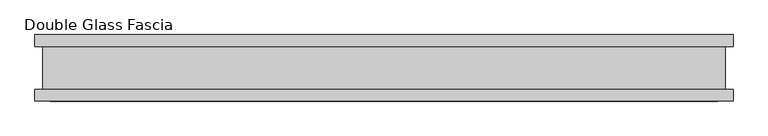
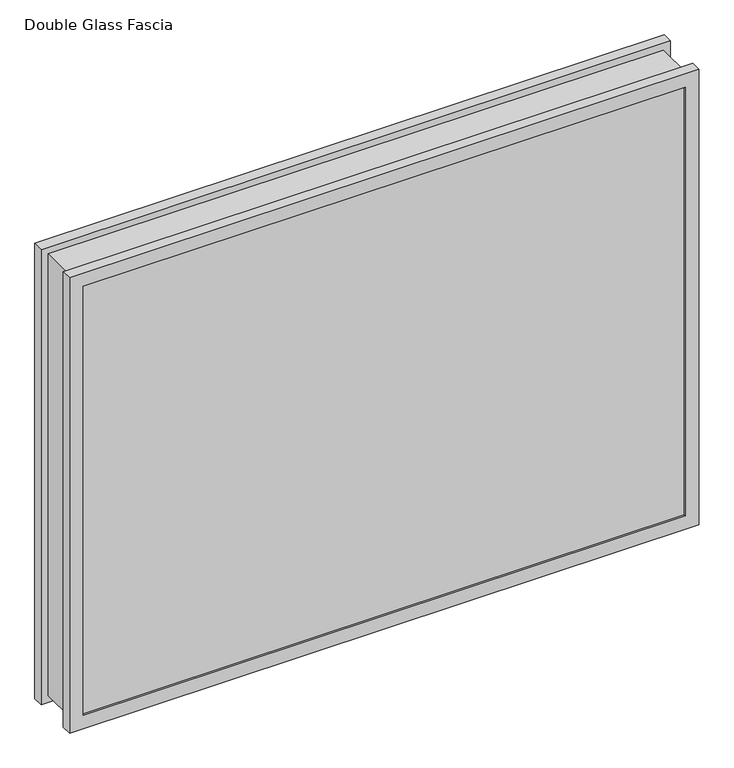
"""IFC4 building model written with IfcOpenShell, lengths in millimetres: proxy geometry, Double Glass Fascia."""

from ifc_helpers import new_model, si_unit, frame, origin, place, context, project, spatial, polyline, outline, extrude, faceted_brep, source, transform, mapped, element, save


def double_glass_fascia_696d1ab8(model_context):
    return source(origin(), model_context, "Body", "SolidModel", [
        faceted_brep([(513.3140848, 32.4352299, 793.750885), (513.3140848, -32.4352299, 793.750885), (513.3140848, -32.4352299, 15.0359151), (513.3140848, 32.4352299, 15.0359151), (-513.3140848, -32.4352299, 15.0359151), (-513.3140848, 32.4352299, 15.0359151), (-513.3140848, -32.4352299, 793.750885), (-513.3140848, 32.4352299, 793.750885), (502.1371999, -38.8962152, 782.5740001), (502.1371999, 38.8962152, 782.5740001), (502.1371999, 38.8962152, 26.2128), (502.1371999, -38.8962152, 26.2128), (518.8718392, -47.1322551, 799.3086393), (518.8718392, -38.8962152, 799.3086393), (518.8718392, -38.8962152, 9.4781608), (518.8718392, -47.1322551, 9.4781608), (501.9593999, -50.0558594, 782.3962001), (501.9593999, -47.1322551, 782.3962001), (501.9593999, -47.1322551, 26.3906), (501.9593999, -50.0558594, 26.3906), (525.1749999, -32.4352299, 805.6118001), (525.1749999, -50.0558594, 805.6118001), (525.1749999, -50.0558594, 3.175), (525.1749999, -32.4352299, 3.175), (-502.1371999, 38.8962152, 26.2128), (-502.1371999, -38.8962152, 26.2128), (-518.8718392, -38.8962152, 9.4781608), (-518.8718392, -47.1322551, 9.4781608), (-501.9593999, -47.1322551, 26.3906), (-501.9593999, -50.0558594, 26.3906), (-525.1749999, -50.0558594, 3.175), (-525.1749999, -32.4352299, 3.175), (-502.1371999, 38.8962152, 782.5740001), (-502.1371999, -38.8962152, 782.5740001), (-518.8718392, -38.8962152, 799.3086393), (-518.8718392, -47.1322551, 799.3086393), (-501.9593999, -47.1322551, 782.3962001), (-501.9593999, -50.0558594, 782.3962001), (-525.1749999, -50.0558594, 805.6118001), (-525.1749999, -32.4352299, 805.6118001), (525.1749999, 50.0558594, 805.6118001), (525.1749999, 32.4352299, 805.6118001), (525.1749999, 32.4352299, 3.175), (525.1749999, 50.0558594, 3.175), (502.1371999, 47.1322551, 782.5740001), (502.1371999, 50.0558594, 782.5740001), (502.1371999, 50.0558594, 26.2128), (502.1371999, 47.1322551, 26.2128), (518.8718392, 38.8962152, 799.3086393), (518.8718392, 47.1322551, 799.3086393), (518.8718392, 47.1322551, 9.4781608), (518.8718392, 38.8962152, 9.4781608), (-525.1749999, 32.4352299, 3.175), (-525.1749999, 50.0558594, 3.175), (-502.1371999, 50.0558594, 26.2128), (-502.1371999, 47.1322551, 26.2128), (-518.8718392, 47.1322551, 9.4781608), (-518.8718392, 38.8962152, 9.4781608), (-525.1749999, 32.4352299, 805.6118001), (-525.1749999, 50.0558594, 805.6118001), (-502.1371999, 50.0558594, 782.5740001), (-502.1371999, 47.1322551, 782.5740001), (-518.8718392, 47.1322551, 799.3086393), (-518.8718392, 38.8962152, 799.3086393)], [[[0, 1, 2, 3]], [[3, 2, 4, 5]], [[5, 4, 6, 7]], [[7, 6, 1, 0]], [[8, 9, 10, 11]], [[12, 13, 14, 15]], [[16, 17, 18, 19]], [[20, 21, 22, 23]], [[11, 10, 24, 25]], [[15, 14, 26, 27]], [[19, 18, 28, 29]], [[23, 22, 30, 31]], [[25, 24, 32, 33]], [[27, 26, 34, 35]], [[29, 28, 36, 37]], [[31, 30, 38, 39]], [[33, 32, 9, 8]], [[13, 34, 26, 14], [11, 25, 33, 8]], [[35, 34, 13, 12]], [[15, 27, 35, 12], [17, 36, 28, 18]], [[37, 36, 17, 16]], [[21, 38, 30, 22], [19, 29, 37, 16]], [[39, 38, 21, 20]], [[23, 31, 39, 20], [1, 6, 4, 2]], [[40, 41, 42, 43]], [[44, 45, 46, 47]], [[48, 49, 50, 51]], [[43, 42, 52, 53]], [[47, 46, 54, 55]], [[51, 50, 56, 57]], [[53, 52, 58, 59]], [[55, 54, 60, 61]], [[57, 56, 62, 63]], [[41, 58, 52, 42], [3, 5, 7, 0]], [[59, 58, 41, 40]], [[43, 53, 59, 40], [45, 60, 54, 46]], [[61, 60, 45, 44]], [[49, 62, 56, 50], [47, 55, 61, 44]], [[63, 62, 49, 48]], [[51, 57, 63, 48], [9, 32, 24, 10]]]),
        extrude(outline(polyline([(514.35, -40.9277344), (514.35, -46.8808594), (-514.35, -46.8808594), (-514.35, -40.9277344), (514.35, -40.9277344)])), frame((0.0, 0.0, 5.3275263), z_axis=(0.0, 0.0, 1.0), x_axis=(1.0, 0.0, 0.0)), (0.0, 0.0, 1.0), 797.6377281),
        extrude(outline(polyline([(514.35, 41.1791301), (-514.35, 41.1791301), (-514.35, 47.1322551), (514.35, 47.1322551), (514.35, 41.1791301)])), frame((0.0, 0.0, 5.3275263), z_axis=(0.0, 0.0, 1.0), x_axis=(1.0, 0.0, 0.0)), (0.0, 0.0, 1.0), 797.6377281),
    ])


if __name__ == "__main__":
    model = new_model("IFC4")
    model_context = context("Model", 3, world=origin())
    ifc_project = project(units=[si_unit("LENGTHUNIT", "METRE", prefix="MILLI")], contexts=[model_context])
    site = spatial("IfcSite", under=ifc_project)
    building = spatial("IfcBuilding", under=site)
    placement = place(None, origin())
    double_glass_fascia_shape = double_glass_fascia_696d1ab8(model_context)
    element("IfcBuildingElementProxy", 1, Name="Double Glass Fascia", ObjectType="Double Glass Fascia", at=placement, inside=building, context=model_context, shape_type="MappedRepresentation", body=[
        mapped(double_glass_fascia_shape, transform((0.0, 0.0, 0.0), x_axis=(1.0, 0.0, 0.0), y_axis=(0.0, 1.0, 0.0), z_axis=(0.0, 0.0, 1.0))),
    ])
    save(model, "model.ifc")
